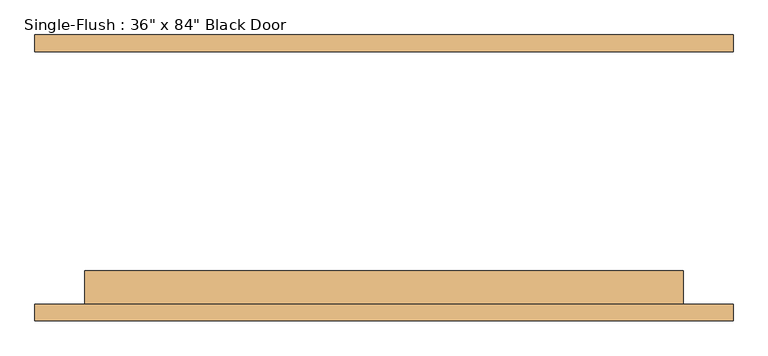
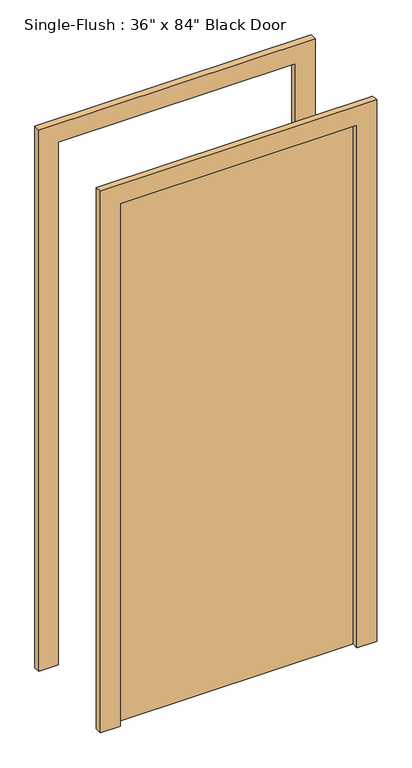
"""IFC4 building model written with IfcOpenShell, lengths in millimetres: door geometry."""

from ifc_helpers import new_model, si_unit, frame, origin, origin_with_axes, place, context, project, spatial, polyline, outline, extrude, source, transform, mapped, element, save


def door_28dd04c9(model_context):
    return source(origin(), model_context, "Body", "SweptSolid", [
        extrude(outline(polyline([(2209.8, -533.4), (0.0, -533.4), (0.0, -457.2), (2133.6, -457.2), (2133.6, 457.2), (0.0, 457.2), (0.0, 533.4), (2209.8, 533.4), (2209.8, -533.4)])), frame((0.0, -218.4003125, 0.0), z_axis=(0.0, 1.0, 0.0), x_axis=(0.0, 0.0, 1.0)), (0.0, 0.0, 1.0), 25.4),
        extrude(outline(polyline([(2209.8, 533.4), (2209.8, -533.4), (0.0, -533.4), (0.0, -457.2), (2133.6, -457.2), (2133.6, 457.2), (0.0, 457.2), (0.0, 533.4), (2209.8, 533.4)])), frame((0.0, 193.0003125, 0.0), z_axis=(0.0, 1.0, 0.0), x_axis=(0.0, 0.0, 1.0)), (0.0, 0.0, 1.0), 25.4),
        extrude(outline(polyline([(457.2, -142.2003125), (457.2, -193.0003125), (-457.2, -193.0003125), (-457.2, -142.2003125), (457.2, -142.2003125)])), origin_with_axes(), (0.0, 0.0, 1.0), 2133.6),
    ])


if __name__ == "__main__":
    model = new_model("IFC4")
    model_context = context("Model", 3, world=origin())
    ifc_project = project(units=[si_unit("LENGTHUNIT", "METRE", prefix="MILLI")], contexts=[model_context])
    site = spatial("IfcSite", under=ifc_project)
    building = spatial("IfcBuilding", under=site)
    placement = place(None, origin())
    door_shape = door_28dd04c9(model_context)
    element("IfcDoor", 1, ObjectType="Single-Flush : 36\" x 84\" Black Door", at=placement, inside=building, context=model_context, shape_type="MappedRepresentation", body=[
        mapped(door_shape, transform((0.0, 0.0, 0.0), x_axis=(1.0, 0.0, 0.0), y_axis=(0.0, 1.0, 0.0), z_axis=(0.0, 0.0, 1.0))),
    ])
    save(model, "model.ifc")
